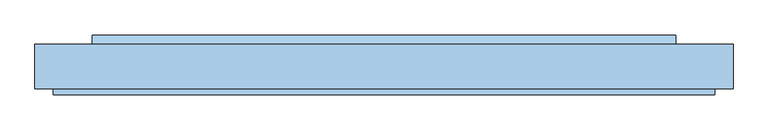
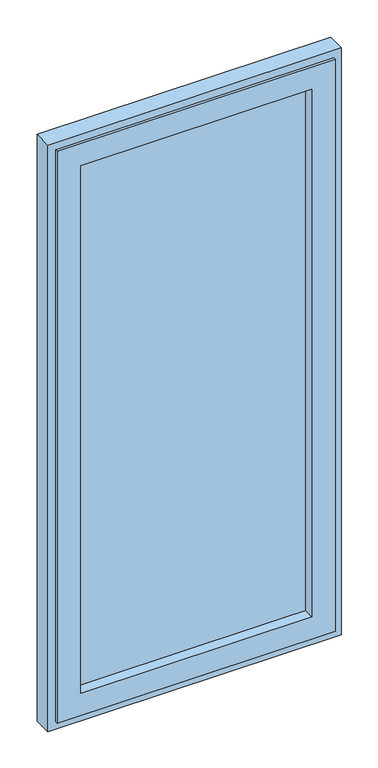
"""IFC4 building model written with IfcOpenShell, lengths in millimetres: window geometry."""

import ifcopenshell
import ifcopenshell.guid

model = None  # the IFC model being written
_history = None  # IfcOwnerHistory: only IFC2X3 demands one
_inside = {}  # id of a spatial element -> (the spatial element, [elements in it])
_under = {}  # id of a project, library or spatial element -> (it, [spatial elements below it])
_declared = {}  # id of a project -> (the project, [libraries it declares])
_typed = {}  # id of a type object -> (the type object, [elements of that type])
_made_of = {}  # id of a material, layer set ... -> (it, [elements and type objects made of it])


def new_model(schema):
    """Start an empty IFC model of exactly this schema.

    Asked for "IFC4X3", IfcOpenShell would pick the latest addendum, in which some entities
    have other attributes; the version numbers below select the first issue.
    IFC2X3 requires an IfcOwnerHistory on every rooted entity: one is made here for all.
    """
    global model, _history
    if schema == "IFC4X3":
        model = ifcopenshell.file(schema_version=(4, 3, 0, 0))
    else:
        model = ifcopenshell.file(schema=schema)
    _inside.clear()
    _under.clear()
    _declared.clear()
    _typed.clear()
    _made_of.clear()
    _history = None
    if model.schema == "IFC2X3":
        org = make("IfcOrganization", Name="unknown")
        user = make(
            "IfcPersonAndOrganization",
            ThePerson=make("IfcPerson", FamilyName="unknown"),
            TheOrganization=org,
        )
        app = make(
            "IfcApplication",
            ApplicationDeveloper=org,
            Version="unknown",
            ApplicationFullName="unknown",
            ApplicationIdentifier="unknown",
        )
        _history = make(
            "IfcOwnerHistory",
            OwningUser=user,
            OwningApplication=app,
            ChangeAction="ADDED",
            CreationDate=0,
        )
    return model


def make(cls, **values):
    """One entity of the class cls with the attributes given. An attribute that is None is left unset."""
    return model.create_entity(
        cls, **{name: value for name, value in values.items() if value is not None}
    )


def rooted(cls, **values):
    """An entity with a GlobalId (a new one), such as an element, a storey or a relation."""
    return make(cls, GlobalId=ifcopenshell.guid.new(), OwnerHistory=_history, **values)


def si_unit(unit_type, name, prefix=None):
    """IfcSIUnit, for example si_unit("LENGTHUNIT", "METRE", prefix="MILLI")."""
    return make("IfcSIUnit", UnitType=unit_type, Prefix=prefix, Name=name)


def assignment(units):
    """IfcUnitAssignment: the units of a project."""
    return None if units is None else make("IfcUnitAssignment", Units=units)


def point(xyz):
    """IfcCartesianPoint."""
    return None if xyz is None else make("IfcCartesianPoint", Coordinates=xyz)


def direction(xyz):
    """IfcDirection."""
    return None if xyz is None else make("IfcDirection", DirectionRatios=xyz)


def frame(location, z_axis=None, x_axis=None):
    """IfcAxis2Placement3D, a coordinate frame: its origin and axes. An axis left out is left unset."""
    return make(
        "IfcAxis2Placement3D",
        Location=point(location),
        Axis=direction(z_axis),
        RefDirection=direction(x_axis),
    )


def origin():
    """The frame at (0, 0, 0) with its axes left unset."""
    return frame((0.0, 0.0, 0.0))


def place(relative_to, where):
    """IfcLocalPlacement: puts the frame where relative to a parent placement (None: the world)."""
    return make(
        "IfcLocalPlacement", PlacementRelTo=relative_to, RelativePlacement=where
    )


def context(
    kind, dimensions, precision=None, world=None, true_north=None, identifier=None
):
    """IfcGeometricRepresentationContext, for example the 3D "Model" context."""
    return make(
        "IfcGeometricRepresentationContext",
        ContextIdentifier=identifier,
        ContextType=kind,
        CoordinateSpaceDimension=dimensions,
        Precision=precision,
        WorldCoordinateSystem=world,
        TrueNorth=true_north,
    )


def project(units=None, contexts=None):
    """IfcProject with its units and contexts."""
    return rooted(
        "IfcProject",
        Name="project",
        RepresentationContexts=contexts,
        UnitsInContext=assignment(units),
    )


def spatial(cls, under=None, at=None, **own):
    """A site, building, storey or space (cls), placed at a placement, below another one or the project."""
    s = rooted(cls, ObjectPlacement=at, **own)
    if under is not None:
        _under.setdefault(under.id(), (under, []))[1].append(s)
    return s


def polyline(points):
    """IfcPolyline through the points."""
    return make("IfcPolyline", Points=[point(p) for p in points])


def outline(outer, holes=None, kind="AREA"):
    """IfcArbitraryClosedProfileDef: a profile drawn as a closed curve; with holes, ...WithVoids."""
    if holes is None:
        return make("IfcArbitraryClosedProfileDef", ProfileType=kind, OuterCurve=outer)
    return make(
        "IfcArbitraryProfileDefWithVoids",
        ProfileType=kind,
        OuterCurve=outer,
        InnerCurves=holes,
    )


def extrude(swept, where, along, depth):
    """IfcExtrudedAreaSolid: the profile swept, set in the frame where, extruded along a direction by depth."""
    return make(
        "IfcExtrudedAreaSolid",
        SweptArea=swept,
        Position=where,
        ExtrudedDirection=direction(along),
        Depth=depth,
    )


def faces_of(points, faces, orient=None, outer=None):
    """IfcFace entities. A face is a list of loops; a loop is a list of indices into points, from 0.

    orient and outer hold one flag for each loop. By default every Orientation is true, the
    first loop of a face is its IfcFaceOuterBound and the others are IfcFaceBound.
    """
    made = []
    for i, loops in enumerate(faces):
        bounds = []
        for j, loop in enumerate(loops):
            is_outer = j == 0 if outer is None else outer[i][j]
            bounds.append(
                make(
                    "IfcFaceOuterBound" if is_outer else "IfcFaceBound",
                    Bound=make("IfcPolyLoop", Polygon=[points[k] for k in loop]),
                    Orientation=True if orient is None else orient[i][j],
                )
            )
        made.append(make("IfcFace", Bounds=bounds))
    return made


def faceted_brep(points, faces, orient=None, outer=None, voids=None):
    """IfcFacetedBrep: a solid bounded by flat faces; with voids (closed shells), ...WithVoids."""
    shared = [point(p) for p in points]
    hull = make("IfcClosedShell", CfsFaces=faces_of(shared, faces, orient, outer))
    if voids is None:
        return make("IfcFacetedBrep", Outer=hull)
    return make(
        "IfcFacetedBrepWithVoids",
        Outer=hull,
        Voids=[
            make(cls, CfsFaces=faces_of(shared, fs, o, b)) for cls, fs, o, b in voids
        ],
    )


def shape(context_of_items, identifier, shape_type, items):
    """IfcShapeRepresentation: the items that make up one representation, for example the "Body"."""
    return make(
        "IfcShapeRepresentation",
        ContextOfItems=context_of_items,
        RepresentationIdentifier=identifier,
        RepresentationType=shape_type,
        Items=items,
    )


def source(mapping_origin, context_of_items, identifier, shape_type, items):
    """IfcRepresentationMap: a shape defined once, which mapped items show again and again."""
    return make(
        "IfcRepresentationMap",
        MappingOrigin=mapping_origin,
        MappedRepresentation=shape(context_of_items, identifier, shape_type, items),
    )


def transform(
    local_origin,
    x_axis=None,
    y_axis=None,
    z_axis=None,
    scale=None,
    scale2=None,
    scale3=None,
    uniform=True,
):
    """IfcCartesianTransformationOperator3D, or its non-uniform kind. x_axis, y_axis, z_axis: its Axis1, 2, 3."""
    if uniform:
        return make(
            "IfcCartesianTransformationOperator3D",
            Axis1=direction(x_axis),
            Axis2=direction(y_axis),
            LocalOrigin=point(local_origin),
            Scale=scale,
            Axis3=direction(z_axis),
        )
    return make(
        "IfcCartesianTransformationOperator3DnonUniform",
        Axis1=direction(x_axis),
        Axis2=direction(y_axis),
        LocalOrigin=point(local_origin),
        Scale=scale,
        Axis3=direction(z_axis),
        Scale2=scale2,
        Scale3=scale3,
    )


def mapped(mapping_source, mapping_target):
    """IfcMappedItem: shows the shape of a source again, moved by a transform."""
    return make(
        "IfcMappedItem", MappingSource=mapping_source, MappingTarget=mapping_target
    )


def made_of(thing, what):
    """Note that an element or type object is made of a material, layer set ...; save() writes the relation."""
    if what is not None:
        _made_of.setdefault(what.id(), (what, []))[1].append(thing)
    return thing


def element(
    cls,
    number,
    at=None,
    inside=None,
    cuts=None,
    type_object=None,
    material=None,
    context=None,
    identifier="Body",
    shape_type=None,
    held_by="IfcProductDefinitionShape",
    body=None,
    shapes=None,
    **own,
):
    """One element of the class cls, such as IfcWall. Its Tag is "e" and its number.

    at: its placement. inside: the storey or other place that contains it. cuts: it is an
    opening in that element (IfcRelVoidsElement). A single representation is given by context,
    identifier, shape_type and body (its items); several are given by shapes. held_by: the class
    of the entity that holds the representations. save() writes the other relations.
    """
    e = rooted(cls, Tag="e%d" % number, ObjectPlacement=at, **own)
    if body is not None:
        shapes = [shape(context, identifier, shape_type, body)]
    if shapes is not None:
        e.Representation = make(held_by, Representations=shapes)
    if inside is not None:
        _inside.setdefault(inside.id(), (inside, []))[1].append(e)
    if cuts is not None:
        rooted(
            "IfcRelVoidsElement", RelatingBuildingElement=cuts, RelatedOpeningElement=e
        )
    if type_object is not None:
        _typed.setdefault(type_object.id(), (type_object, []))[1].append(e)
    return made_of(e, material)


def aggregate(whole, parts):
    """IfcRelAggregates: a whole, such as a stair, and the parts it consists of."""
    return rooted("IfcRelAggregates", RelatingObject=whole, RelatedObjects=parts)


def save(model, path):
    """Write the relations noted so far, then the file.

    IfcRelAggregates (storeys below a building ...), IfcRelContainedInSpatialStructure (elements
    in a storey), IfcRelDefinesByType, IfcRelAssociatesMaterial and IfcRelDeclares: one each for
    every whole, place, type object, material and project.
    """
    for whole, parts in _under.values():
        aggregate(whole, parts)
    for where, things in _inside.values():
        rooted(
            "IfcRelContainedInSpatialStructure",
            RelatedElements=things,
            RelatingStructure=where,
        )
    for kind, things in _typed.values():
        rooted("IfcRelDefinesByType", RelatedObjects=things, RelatingType=kind)
    for what, things in _made_of.values():
        rooted("IfcRelAssociatesMaterial", RelatedObjects=things, RelatingMaterial=what)
    for by, libraries in _declared.values():
        rooted("IfcRelDeclares", RelatingContext=by, RelatedDefinitions=libraries)
    model.write(path)


def window_14819db6(model_context):
    return source(origin(), model_context, "Body", "SolidModel", [
        faceted_brep([(-520.9999998, -70.0, 29.0), (-520.9999998, -61.0, 29.0), (520.9999998, -61.0, 29.0), (520.9999998, -70.0, 29.0), (-489.9999998, 0.0, 60.0), (-489.9999998, 9.0, 60.0), (489.9999998, 9.0, 60.0), (489.9999998, 0.0, 60.0), (-432.9999998, 9.0, 117.0), (-432.9999998, -70.0, 117.0), (432.9999998, -70.0, 117.0), (432.9999998, 9.0, 117.0), (520.9999998, -61.0, 2296.0), (520.9999998, -70.0, 2296.0), (489.9999998, 9.0, 2265.0), (489.9999998, 0.0, 2265.0), (432.9999998, -70.0, 2208.0), (432.9999998, 9.0, 2208.0), (-520.9999998, -61.0, 2296.0), (-520.9999998, -70.0, 2296.0), (-489.9999998, 9.0, 2265.0), (-489.9999998, 0.0, 2265.0), (-432.9999998, -70.0, 2208.0), (-432.9999998, 9.0, 2208.0), (-495.9999998, 0.0, 54.0), (-495.9999998, 0.0, 2271.0), (495.9999998, 0.0, 2271.0), (495.9999998, 0.0, 54.0), (-495.9999998, -61.0, 54.0), (495.9999998, -61.0, 54.0), (495.9999998, -61.0, 2271.0), (-495.9999998, -61.0, 2271.0)], [[[0, 1, 2, 3]], [[4, 5, 6, 7]], [[8, 9, 10, 11]], [[3, 2, 12, 13]], [[7, 6, 14, 15]], [[11, 10, 16, 17]], [[13, 12, 18, 19]], [[15, 14, 20, 21]], [[17, 16, 22, 23]], [[19, 18, 1, 0]], [[5, 20, 14, 6], [11, 17, 23, 8]], [[21, 20, 5, 4]], [[24, 25, 26, 27], [7, 15, 21, 4]], [[23, 22, 9, 8]], [[3, 13, 19, 0], [9, 22, 16, 10]], [[28, 24, 27, 29]], [[29, 27, 26, 30]], [[30, 26, 25, 31]], [[1, 18, 12, 2], [29, 30, 31, 28]], [[31, 25, 24, 28]]]),
        extrude(outline(polyline([(432.9999998, -30.0), (-432.9999998, -30.0), (-432.9999998, 0.0), (432.9999998, 0.0), (432.9999998, -30.0)])), frame((0.0, 0.0, 117.0), z_axis=(0.0, 0.0, 1.0), x_axis=(1.0, 0.0, 0.0)), (0.0, 0.0, 1.0), 2091.0),
        extrude(outline(polyline([(24.0, 60.0), (9.0, 60.0), (9.0, 72.5), (24.0, 65.0), (24.0, 60.0)])), frame((-459.9999998, 0.0, 0.0), z_axis=(1.0, 0.0, 0.0), x_axis=(0.0, 1.0, 0.0)), (0.0, 0.0, 1.0), 919.9999997),
        faceted_brep([(495.9999998, 0.0, 54.0), (495.9999998, 9.0, 54.0), (-495.9999998, 9.0, 54.0), (-495.9999998, 0.0, 54.0), (517.9999998, -61.0, 32.0), (517.9999998, 0.0, 32.0), (-517.9999998, 0.0, 32.0), (-517.9999998, -61.0, 32.0), (549.9999998, 9.0, 0.0), (549.9999998, -61.0, 0.0), (-549.9999998, -61.0, 0.0), (-549.9999998, 9.0, 0.0), (-495.9999998, 9.0, 2271.0), (-495.9999998, 0.0, 2271.0), (-517.9999998, 0.0, 2293.0), (-517.9999998, -61.0, 2293.0), (-549.9999998, -61.0, 2325.0), (-549.9999998, 9.0, 2325.0), (495.9999998, 9.0, 2271.0), (495.9999998, 0.0, 2271.0), (517.9999998, 0.0, 2293.0), (517.9999998, -61.0, 2293.0), (549.9999998, -61.0, 2325.0), (549.9999998, 9.0, 2325.0)], [[[0, 1, 2, 3]], [[4, 5, 6, 7]], [[8, 9, 10, 11]], [[3, 2, 12, 13]], [[7, 6, 14, 15]], [[11, 10, 16, 17]], [[13, 12, 18, 19]], [[15, 14, 20, 21]], [[17, 16, 22, 23]], [[19, 18, 1, 0]], [[5, 20, 14, 6], [3, 13, 19, 0]], [[21, 20, 5, 4]], [[9, 22, 16, 10], [7, 15, 21, 4]], [[23, 22, 9, 8]], [[11, 17, 23, 8], [1, 18, 12, 2]]]),
    ])


if __name__ == "__main__":
    model = new_model("IFC4")
    model_context = context("Model", 3, world=origin())
    ifc_project = project(units=[si_unit("LENGTHUNIT", "METRE", prefix="MILLI")], contexts=[model_context])
    site = spatial("IfcSite", under=ifc_project)
    building = spatial("IfcBuilding", under=site)
    placement = place(None, origin())
    window_shape = window_14819db6(model_context)
    element("IfcWindow", 1, at=placement, inside=building, context=model_context, shape_type="MappedRepresentation", body=[
        mapped(window_shape, transform((0.0, 0.0, 0.0), x_axis=(1.0, 0.0, 0.0), y_axis=(0.0, 1.0, 0.0), z_axis=(0.0, 0.0, 1.0))),
    ])
    save(model, "model.ifc")
